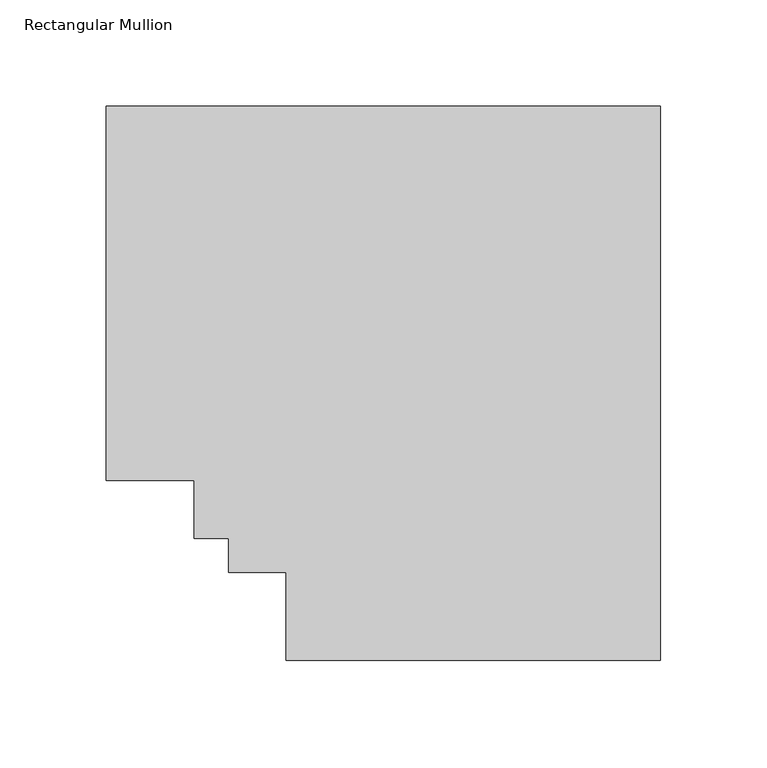
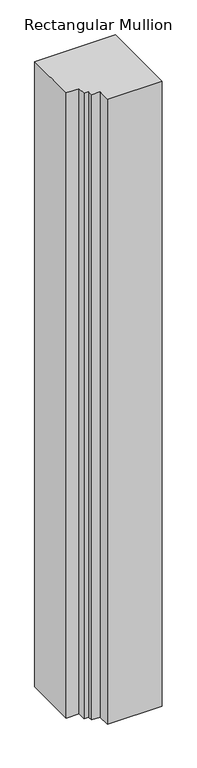
"""IFC4 building model written with IfcOpenShell, lengths in millimetres: member geometry, Rectangular Mullion."""

from ifc_helpers import new_model, si_unit, frame, origin, place, context, project, spatial, polyline, outline, extrude, source, transform, mapped, element, save


def rectangular_mullion_77b31102(model_context):
    return source(origin(), model_context, "Body", "SweptSolid", [
        extrude(outline(polyline([(-260.3187084, 222.5381312), (0.0, 222.5381312), (0.0, -37.7805771), (-175.7934011, -37.7805771), (-175.7934011, 3.4944228), (-202.9714011, 3.4944228), (-202.9714011, 19.5667302), (-219.0437084, 19.5667302), (-219.0437084, 46.7447302), (-260.3187084, 46.7447302), (-260.3187084, 222.5381312)])), frame((0.0, 0.0, -2133.6), z_axis=(0.0, 0.0, 1.0), x_axis=(1.0, 0.0, 0.0)), (0.0, 0.0, 1.0), 2133.6),
    ])


if __name__ == "__main__":
    model = new_model("IFC4")
    model_context = context("Model", 3, world=origin())
    ifc_project = project(units=[si_unit("LENGTHUNIT", "METRE", prefix="MILLI")], contexts=[model_context])
    site = spatial("IfcSite", under=ifc_project)
    building = spatial("IfcBuilding", under=site)
    placement = place(None, origin())
    rectangular_mullion_shape = rectangular_mullion_77b31102(model_context)
    element("IfcMember", 1, ObjectType="Rectangular Mullion", at=placement, inside=building, context=model_context, shape_type="MappedRepresentation", body=[
        mapped(rectangular_mullion_shape, transform((0.0, 0.0, 0.0), x_axis=(1.0, 0.0, 0.0), y_axis=(0.0, 1.0, 0.0), z_axis=(0.0, 0.0, 1.0))),
    ])
    save(model, "model.ifc")
